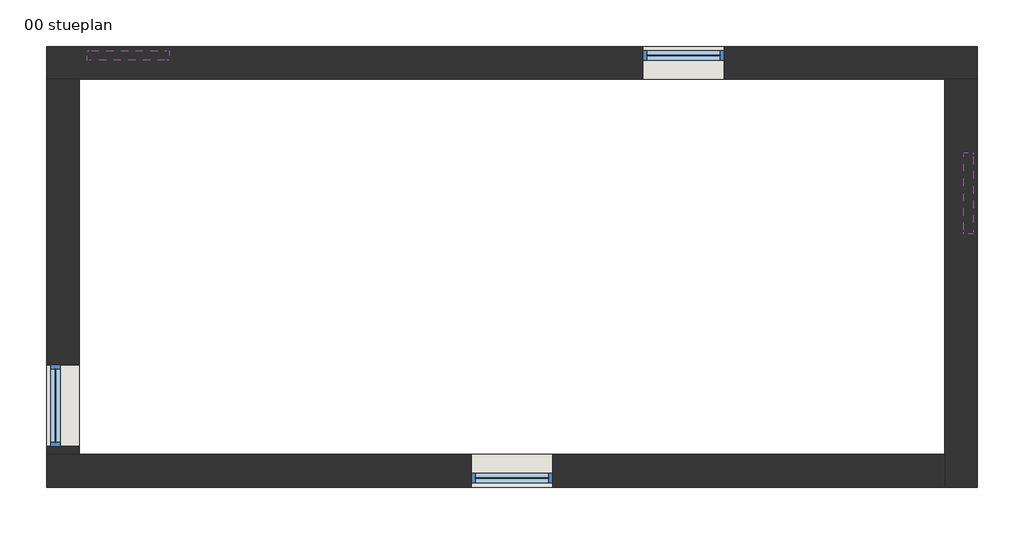
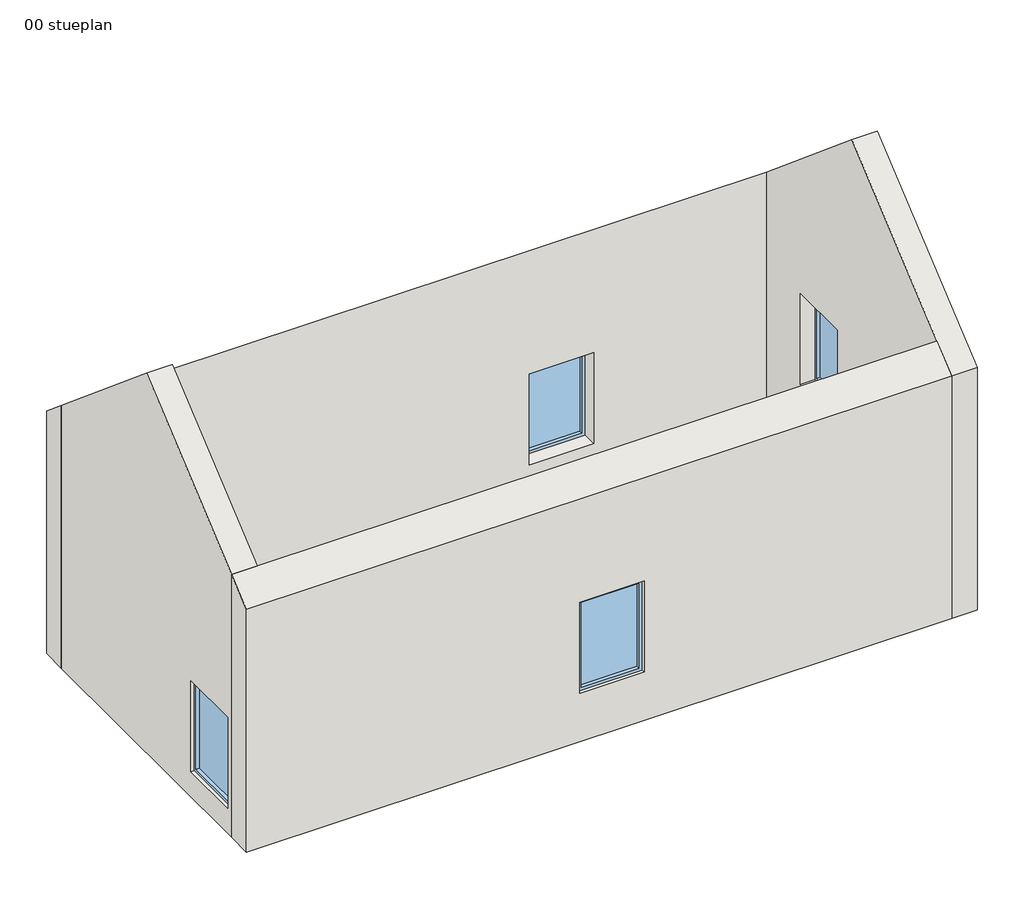
# One storey: 5 windows, 4 walls.
"""IFC4 building model written with IfcOpenShell, lengths in millimetres."""

import ifcopenshell
import ifcopenshell.guid

model = None  # the IFC model being written
_history = None  # IfcOwnerHistory: only IFC2X3 demands one
_inside = {}  # id of a spatial element -> (the spatial element, [elements in it])
_under = {}  # id of a project, library or spatial element -> (it, [spatial elements below it])
_declared = {}  # id of a project -> (the project, [libraries it declares])
_typed = {}  # id of a type object -> (the type object, [elements of that type])
_made_of = {}  # id of a material, layer set ... -> (it, [elements and type objects made of it])


def new_model(schema):
    """Start an empty IFC model of exactly this schema.

    Asked for "IFC4X3", IfcOpenShell would pick the latest addendum, in which some entities
    have other attributes; the version numbers below select the first issue.
    IFC2X3 requires an IfcOwnerHistory on every rooted entity: one is made here for all.
    """
    global model, _history
    if schema == "IFC4X3":
        model = ifcopenshell.file(schema_version=(4, 3, 0, 0))
    else:
        model = ifcopenshell.file(schema=schema)
    _inside.clear()
    _under.clear()
    _declared.clear()
    _typed.clear()
    _made_of.clear()
    _history = None
    if model.schema == "IFC2X3":
        org = make("IfcOrganization", Name="unknown")
        user = make(
            "IfcPersonAndOrganization",
            ThePerson=make("IfcPerson", FamilyName="unknown"),
            TheOrganization=org,
        )
        app = make(
            "IfcApplication",
            ApplicationDeveloper=org,
            Version="unknown",
            ApplicationFullName="unknown",
            ApplicationIdentifier="unknown",
        )
        _history = make(
            "IfcOwnerHistory",
            OwningUser=user,
            OwningApplication=app,
            ChangeAction="ADDED",
            CreationDate=0,
        )
    return model


def make(cls, **values):
    """One entity of the class cls with the attributes given. An attribute that is None is left unset."""
    return model.create_entity(
        cls, **{name: value for name, value in values.items() if value is not None}
    )


def rooted(cls, **values):
    """An entity with a GlobalId (a new one), such as an element, a storey or a relation."""
    return make(cls, GlobalId=ifcopenshell.guid.new(), OwnerHistory=_history, **values)


def si_unit(unit_type, name, prefix=None):
    """IfcSIUnit, for example si_unit("LENGTHUNIT", "METRE", prefix="MILLI")."""
    return make("IfcSIUnit", UnitType=unit_type, Prefix=prefix, Name=name)


def assignment(units):
    """IfcUnitAssignment: the units of a project."""
    return None if units is None else make("IfcUnitAssignment", Units=units)


def point(xyz):
    """IfcCartesianPoint."""
    return None if xyz is None else make("IfcCartesianPoint", Coordinates=xyz)


def direction(xyz):
    """IfcDirection."""
    return None if xyz is None else make("IfcDirection", DirectionRatios=xyz)


def frame(location, z_axis=None, x_axis=None):
    """IfcAxis2Placement3D, a coordinate frame: its origin and axes. An axis left out is left unset."""
    return make(
        "IfcAxis2Placement3D",
        Location=point(location),
        Axis=direction(z_axis),
        RefDirection=direction(x_axis),
    )


def origin():
    """The frame at (0, 0, 0) with its axes left unset."""
    return frame((0.0, 0.0, 0.0))


def place(relative_to, where):
    """IfcLocalPlacement: puts the frame where relative to a parent placement (None: the world)."""
    return make(
        "IfcLocalPlacement", PlacementRelTo=relative_to, RelativePlacement=where
    )


def context(
    kind, dimensions, precision=None, world=None, true_north=None, identifier=None
):
    """IfcGeometricRepresentationContext, for example the 3D "Model" context."""
    return make(
        "IfcGeometricRepresentationContext",
        ContextIdentifier=identifier,
        ContextType=kind,
        CoordinateSpaceDimension=dimensions,
        Precision=precision,
        WorldCoordinateSystem=world,
        TrueNorth=true_north,
    )


def project(units=None, contexts=None):
    """IfcProject with its units and contexts."""
    return rooted(
        "IfcProject",
        Name="project",
        RepresentationContexts=contexts,
        UnitsInContext=assignment(units),
    )


def spatial(cls, under=None, at=None, **own):
    """A site, building, storey or space (cls), placed at a placement, below another one or the project."""
    s = rooted(cls, ObjectPlacement=at, **own)
    if under is not None:
        _under.setdefault(under.id(), (under, []))[1].append(s)
    return s


def polyline(points):
    """IfcPolyline through the points."""
    return make("IfcPolyline", Points=[point(p) for p in points])


def outline(outer, holes=None, kind="AREA"):
    """IfcArbitraryClosedProfileDef: a profile drawn as a closed curve; with holes, ...WithVoids."""
    if holes is None:
        return make("IfcArbitraryClosedProfileDef", ProfileType=kind, OuterCurve=outer)
    return make(
        "IfcArbitraryProfileDefWithVoids",
        ProfileType=kind,
        OuterCurve=outer,
        InnerCurves=holes,
    )


def extrude(swept, where, along, depth):
    """IfcExtrudedAreaSolid: the profile swept, set in the frame where, extruded along a direction by depth."""
    return make(
        "IfcExtrudedAreaSolid",
        SweptArea=swept,
        Position=where,
        ExtrudedDirection=direction(along),
        Depth=depth,
    )


def faces_of(points, faces, orient=None, outer=None):
    """IfcFace entities. A face is a list of loops; a loop is a list of indices into points, from 0.

    orient and outer hold one flag for each loop. By default every Orientation is true, the
    first loop of a face is its IfcFaceOuterBound and the others are IfcFaceBound.
    """
    made = []
    for i, loops in enumerate(faces):
        bounds = []
        for j, loop in enumerate(loops):
            is_outer = j == 0 if outer is None else outer[i][j]
            bounds.append(
                make(
                    "IfcFaceOuterBound" if is_outer else "IfcFaceBound",
                    Bound=make("IfcPolyLoop", Polygon=[points[k] for k in loop]),
                    Orientation=True if orient is None else orient[i][j],
                )
            )
        made.append(make("IfcFace", Bounds=bounds))
    return made


def faceted_brep(points, faces, orient=None, outer=None, voids=None):
    """IfcFacetedBrep: a solid bounded by flat faces; with voids (closed shells), ...WithVoids."""
    shared = [point(p) for p in points]
    hull = make("IfcClosedShell", CfsFaces=faces_of(shared, faces, orient, outer))
    if voids is None:
        return make("IfcFacetedBrep", Outer=hull)
    return make(
        "IfcFacetedBrepWithVoids",
        Outer=hull,
        Voids=[
            make(cls, CfsFaces=faces_of(shared, fs, o, b)) for cls, fs, o, b in voids
        ],
    )


def shape(context_of_items, identifier, shape_type, items):
    """IfcShapeRepresentation: the items that make up one representation, for example the "Body"."""
    return make(
        "IfcShapeRepresentation",
        ContextOfItems=context_of_items,
        RepresentationIdentifier=identifier,
        RepresentationType=shape_type,
        Items=items,
    )


def source(mapping_origin, context_of_items, identifier, shape_type, items):
    """IfcRepresentationMap: a shape defined once, which mapped items show again and again."""
    return make(
        "IfcRepresentationMap",
        MappingOrigin=mapping_origin,
        MappedRepresentation=shape(context_of_items, identifier, shape_type, items),
    )


def transform(
    local_origin,
    x_axis=None,
    y_axis=None,
    z_axis=None,
    scale=None,
    scale2=None,
    scale3=None,
    uniform=True,
):
    """IfcCartesianTransformationOperator3D, or its non-uniform kind. x_axis, y_axis, z_axis: its Axis1, 2, 3."""
    if uniform:
        return make(
            "IfcCartesianTransformationOperator3D",
            Axis1=direction(x_axis),
            Axis2=direction(y_axis),
            LocalOrigin=point(local_origin),
            Scale=scale,
            Axis3=direction(z_axis),
        )
    return make(
        "IfcCartesianTransformationOperator3DnonUniform",
        Axis1=direction(x_axis),
        Axis2=direction(y_axis),
        LocalOrigin=point(local_origin),
        Scale=scale,
        Axis3=direction(z_axis),
        Scale2=scale2,
        Scale3=scale3,
    )


def mapped(mapping_source, mapping_target):
    """IfcMappedItem: shows the shape of a source again, moved by a transform."""
    return make(
        "IfcMappedItem", MappingSource=mapping_source, MappingTarget=mapping_target
    )


def made_of(thing, what):
    """Note that an element or type object is made of a material, layer set ...; save() writes the relation."""
    if what is not None:
        _made_of.setdefault(what.id(), (what, []))[1].append(thing)
    return thing


def element(
    cls,
    number,
    at=None,
    inside=None,
    cuts=None,
    type_object=None,
    material=None,
    context=None,
    identifier="Body",
    shape_type=None,
    held_by="IfcProductDefinitionShape",
    body=None,
    shapes=None,
    **own,
):
    """One element of the class cls, such as IfcWall. Its Tag is "e" and its number.

    at: its placement. inside: the storey or other place that contains it. cuts: it is an
    opening in that element (IfcRelVoidsElement). A single representation is given by context,
    identifier, shape_type and body (its items); several are given by shapes. held_by: the class
    of the entity that holds the representations. save() writes the other relations.
    """
    e = rooted(cls, Tag="e%d" % number, ObjectPlacement=at, **own)
    if body is not None:
        shapes = [shape(context, identifier, shape_type, body)]
    if shapes is not None:
        e.Representation = make(held_by, Representations=shapes)
    if inside is not None:
        _inside.setdefault(inside.id(), (inside, []))[1].append(e)
    if cuts is not None:
        rooted(
            "IfcRelVoidsElement", RelatingBuildingElement=cuts, RelatedOpeningElement=e
        )
    if type_object is not None:
        _typed.setdefault(type_object.id(), (type_object, []))[1].append(e)
    return made_of(e, material)


def aggregate(whole, parts):
    """IfcRelAggregates: a whole, such as a stair, and the parts it consists of."""
    return rooted("IfcRelAggregates", RelatingObject=whole, RelatedObjects=parts)


def save(model, path):
    """Write the relations noted so far, then the file.

    IfcRelAggregates (storeys below a building ...), IfcRelContainedInSpatialStructure (elements
    in a storey), IfcRelDefinesByType, IfcRelAssociatesMaterial and IfcRelDeclares: one each for
    every whole, place, type object, material and project.
    """
    for whole, parts in _under.values():
        aggregate(whole, parts)
    for where, things in _inside.values():
        rooted(
            "IfcRelContainedInSpatialStructure",
            RelatedElements=things,
            RelatingStructure=where,
        )
    for kind, things in _typed.values():
        rooted("IfcRelDefinesByType", RelatedObjects=things, RelatingType=kind)
    for what, things in _made_of.values():
        rooted("IfcRelAssociatesMaterial", RelatedObjects=things, RelatingMaterial=what)
    for by, libraries in _declared.values():
        rooted("IfcRelDeclares", RelatingContext=by, RelatedDefinitions=libraries)
    model.write(path)


def window_66d724b5(model_context):
    return source(origin(), model_context, "Body", "SweptSolid", [
        extrude(outline(polyline([(450.0, 85.0), (-450.0, 85.0), (-450.0, 95.0), (450.0, 95.0), (450.0, 85.0)])), frame((0.0, 0.0, 850.0), z_axis=(0.0, 0.0, 1.0), x_axis=(1.0, 0.0, 0.0)), (0.0, 0.0, 1.0), 1400.0),
        extrude(outline(polyline([(2300.0, 500.0), (2300.0, -500.0), (800.0, -500.0), (800.0, 500.0), (2300.0, 500.0)]), holes=[polyline([(850.0, 450.0), (850.0, -450.0), (2250.0, -450.0), (2250.0, 450.0), (850.0, 450.0)])]), frame((0.0, 30.0, 0.0), z_axis=(0.0, 1.0, 0.0), x_axis=(0.0, 0.0, 1.0)), (0.0, 0.0, 1.0), 120.0),
    ])


model = new_model("IFC4")

# Units and contexts
model_context = context("Model", 3, world=origin())
ifc_project = project(units=[si_unit("LENGTHUNIT", "METRE", prefix="MILLI")], contexts=[model_context])

# Site, building, storey
site = spatial("IfcSite", under=ifc_project)
building = spatial("IfcBuilding", under=site)
storey = spatial("IfcBuildingStorey", under=building, Name="00 stueplan", Elevation=0.0)

# Walls
placement = place(None, origin())
element("IfcWall", 1, at=placement, inside=storey, context=model_context, shape_type="Brep", body=[
    faceted_brep([(1147.1073469, 40151.6459879, 0.0), (1547.1073469, 40151.6459879, 0.0), (12147.1073469, 40151.6459879, 0.0), (12547.1073469, 40151.6459879, 0.0), (12547.1073469, 40151.6459879, 4335.6398525), (12147.1073469, 40151.6459879, 4335.6398525), (1547.1073469, 40151.6459879, 4335.6398525), (1147.1073469, 40151.6459879, 4335.6398525), (1647.1073469, 40151.6459879, 1307.764439), (1647.1073469, 40151.6459879, 2807.764439), (2647.1073469, 40151.6459879, 2807.764439), (2647.1073469, 40151.6459879, 1307.764439), (8447.1073469, 40151.6459879, 800.0), (8447.1073469, 40151.6459879, 2300.0), (9447.1073469, 40151.6459879, 2300.0), (9447.1073469, 40151.6459879, 800.0), (1147.1073469, 40551.6459879, 0.0), (1147.1073469, 40551.6459879, 4000.0), (12547.1073469, 40551.6459879, 4000.0), (12547.1073469, 40551.6459879, 0.0), (1647.1073469, 40551.6459879, 1307.764439), (2647.1073469, 40551.6459879, 1307.764439), (2647.1073469, 40551.6459879, 2807.764439), (1647.1073469, 40551.6459879, 2807.764439), (8447.1073469, 40551.6459879, 800.0), (9447.1073469, 40551.6459879, 800.0), (9447.1073469, 40551.6459879, 2300.0), (8447.1073469, 40551.6459879, 2300.0)], [[[0, 1, 2, 3, 4, 5, 6, 7], [8, 9, 10, 11], [12, 13, 14, 15]], [[16, 17, 18, 19], [20, 21, 22, 23], [24, 25, 26, 27]], [[3, 2, 1, 0, 16, 19]], [[4, 3, 19, 18]], [[0, 7, 17, 16]], [[7, 6, 5, 4, 18, 17]], [[9, 8, 20, 23]], [[10, 9, 23, 22]], [[11, 10, 22, 21]], [[8, 11, 21, 20]], [[13, 12, 24, 27]], [[14, 13, 27, 26]], [[15, 14, 26, 25]], [[12, 15, 25, 24]]]),
])
element("IfcWall", 2, at=placement, inside=storey, context=model_context, shape_type="Brep", body=[
    faceted_brep([(12147.1073469, 40151.6459879, 0.0), (12147.1073469, 35551.6459879, 0.0), (12147.1073469, 35151.6459879, 0.0), (12147.1073469, 35151.6459879, 4000.0), (12147.1073469, 35551.6459879, 4335.6398525), (12147.1073469, 37851.6459879, 6265.5690042), (12147.1073469, 40151.6459879, 4335.6398525), (12147.1073469, 39251.6459879, 1376.9556273), (12147.1073469, 39251.6459879, 2876.9556273), (12147.1073469, 38251.6459879, 2876.9556273), (12147.1073469, 38251.6459879, 1376.9556273), (12547.1073469, 40151.6459879, 0.0), (12547.1073469, 40151.6459879, 4335.6398525), (12547.1073469, 37851.6459879, 6265.5690042), (12547.1073469, 35151.6459879, 4000.0), (12547.1073469, 35151.6459879, 0.0), (12547.1073469, 39251.6459879, 1376.9556273), (12547.1073469, 38251.6459879, 1376.9556273), (12547.1073469, 38251.6459879, 2876.9556273), (12547.1073469, 39251.6459879, 2876.9556273)], [[[0, 1, 2, 3, 4, 5, 6], [7, 8, 9, 10]], [[11, 12, 13, 14, 15], [16, 17, 18, 19]], [[2, 1, 0, 11, 15]], [[0, 6, 12, 11]], [[3, 2, 15, 14]], [[6, 5, 13, 12]], [[5, 4, 3, 14, 13]], [[8, 7, 16, 19]], [[9, 8, 19, 18]], [[10, 9, 18, 17]], [[7, 10, 17, 16]]]),
])
element("IfcWall", 3, at=placement, inside=storey, context=model_context, shape_type="Brep", body=[
    faceted_brep([(12147.1073469, 35551.6459879, 0.0), (1547.1073469, 35551.6459879, 0.0), (1147.1073469, 35551.6459879, 0.0), (1147.1073469, 35551.6459879, 4335.6398525), (1547.1073469, 35551.6459879, 4335.6398525), (12147.1073469, 35551.6459879, 4335.6398525), (7347.1073469, 35551.6459879, 800.0), (7347.1073469, 35551.6459879, 2300.0), (6347.1073469, 35551.6459879, 2300.0), (6347.1073469, 35551.6459879, 800.0), (12147.1073469, 35151.6459879, 0.0), (12147.1073469, 35151.6459879, 4000.0), (1147.1073469, 35151.6459879, 4000.0), (1147.1073469, 35151.6459879, 0.0), (7347.1073469, 35151.6459879, 800.0), (6347.1073469, 35151.6459879, 800.0), (6347.1073469, 35151.6459879, 2300.0), (7347.1073469, 35151.6459879, 2300.0)], [[[0, 1, 2, 3, 4, 5], [6, 7, 8, 9]], [[10, 11, 12, 13], [14, 15, 16, 17]], [[2, 1, 0, 10, 13]], [[0, 5, 11, 10]], [[3, 2, 13, 12]], [[7, 6, 14, 17]], [[8, 7, 17, 16]], [[9, 8, 16, 15]], [[6, 9, 15, 14]], [[5, 4, 3, 12, 11]]]),
])
element("IfcWall", 4, at=placement, inside=storey, context=model_context, shape_type="SweptSolid", body=[
    extrude(outline(polyline([(35551.6459879, 0.0), (35551.6459879, 4335.6398525), (37851.6459879, 6265.5690042), (40151.6459879, 4335.6398525), (40151.6459879, 0.0), (35551.6459879, 0.0)]), holes=[polyline([(35651.6459879, 417.0642462), (36651.6459879, 417.0642462), (36651.6459879, 1917.0642462), (35651.6459879, 1917.0642462), (35651.6459879, 417.0642462)])]), frame((1147.1073469, 0.0, 0.0), z_axis=(1.0, 0.0, 0.0), x_axis=(0.0, 1.0, 0.0)), (0.0, 0.0, 1.0), 400.0),
])

# Windows
window_shape = window_66d724b5(model_context)
element("IfcWindow", 5, at=placement, inside=storey, context=model_context, shape_type="MappedRepresentation", body=[
    mapped(window_shape, transform((6847.1073469, 35351.6459879, 0.0), x_axis=(-1.0, 0.0, 0.0), y_axis=(0.0, -1.0, 0.0), z_axis=(0.0, 0.0, 1.0))),
])
element("IfcWindow", 6, at=placement, inside=storey, context=model_context, shape_type="MappedRepresentation", body=[
    mapped(window_shape, transform((12347.1073469, 38751.6459879, 576.9556273), x_axis=(0.0, -1.0, 0.0), y_axis=(1.0, 0.0, 0.0), z_axis=(0.0, 0.0, 1.0))),
])
element("IfcWindow", 7, at=placement, inside=storey, context=model_context, shape_type="MappedRepresentation", body=[
    mapped(window_shape, transform((2147.1073469, 40351.6459879, 507.764439), x_axis=(1.0, 0.0, 0.0), y_axis=(0.0, 1.0, 0.0), z_axis=(0.0, 0.0, 1.0))),
])
element("IfcWindow", 8, at=placement, inside=storey, context=model_context, shape_type="MappedRepresentation", body=[
    mapped(window_shape, transform((8947.1073469, 40351.6459879, 0.0), x_axis=(1.0, 0.0, 0.0), y_axis=(0.0, 1.0, 0.0), z_axis=(0.0, 0.0, 1.0))),
])
element("IfcWindow", 9, at=placement, inside=storey, context=model_context, shape_type="MappedRepresentation", body=[
    mapped(window_shape, transform((1347.1073469, 36151.6459879, -382.9357538), x_axis=(0.0, 1.0, 0.0), y_axis=(-1.0, 0.0, 0.0), z_axis=(0.0, 0.0, 1.0))),
])

save(model, "model.ifc")
